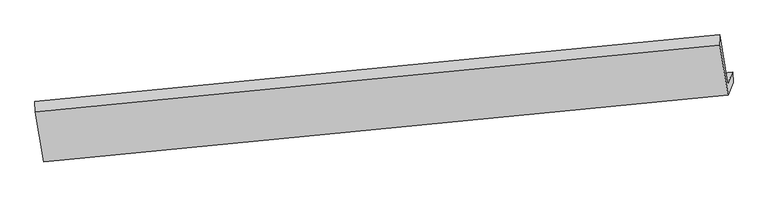
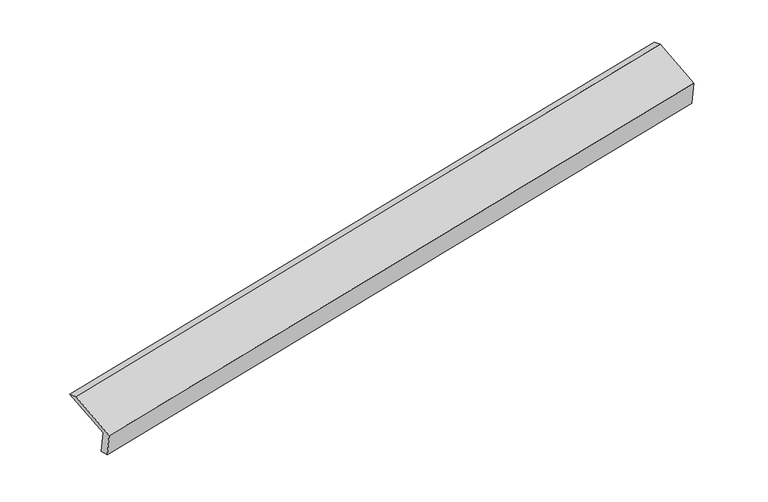
"""IFC4 building model written with IfcOpenShell, lengths in millimetres: proxy geometry."""

from ifc_helpers import new_model, si_unit, frame, origin, place, context, project, spatial, source, transform, mapped, element, save
from ifc_brep_helpers import plane_surface, spline_surface, advanced_brep


def generic_models_09a46cd5(model_context):
    return source(origin(), model_context, "Body", "AdvancedBrep", [
        advanced_brep(
        [(-7441.2182417, -2006.934023, 660.8238983), (-7503.3818414, -2165.8103741, 1071.5699995), (1806.8731702, -1256.512265, 2859.3998128), (1871.8320983, -1090.4916755, 2430.1835737), (-7431.9346533, -2149.3695649, 685.0946674), (1879.7180226, -1236.4993366, 2463.6894118), (-7497.3570958, -2316.5747943, 1117.3735789), (1812.8979158, -1407.2766853, 2905.2033922), (-7610.2916448, -1635.2314346, 1363.8249229), (1699.9633669, -725.9333256, 3151.6547363), (-7614.7936353, -1493.6539202, 1314.6983123), (1695.4613763, -584.3558111, 3102.5281256)],
        [
            (0, 1),
            (1, 2),
            (2, 3),
            (3, 0),
            (4, 0),
            (3, 5),
            (5, 4),
            (6, 4),
            (5, 7),
            (7, 6),
            (8, 6),
            (7, 9),
            (9, 8),
            (10, 8),
            (9, 11),
            (11, 10),
            (1, 10),
            (11, 2),
        ],
        [
            plane_surface(frame((-7472.3000416, -2086.3721986, 866.1969489), z_axis=(-0.15522923513217007, 0.9290339221290466, 0.33585689823763054), x_axis=(-0.1397664222424324, -0.3572119258136593, 0.9235068961681049))),
            spline_surface(1, 1, [[(-7431.9346533, -2149.3695649, 685.0946674), (1879.7180226, -1236.4993366, 2463.6894118)], [(-7441.2182417, -2006.934023, 660.8238983), (1871.8320983, -1090.4916755, 2430.1835737)]], [2, 2], [2, 2], [0.0, 1.0], [0.0, 1.0]),
            plane_surface(frame((-7464.6458745, -2232.9721796, 901.2341231), z_axis=(0.15522923513218762, -0.9290339221290017, -0.3358568982377466), x_axis=(0.13976642224237762, 0.3572119258137726, -0.9235068961680694))),
            plane_surface(frame((-7553.8243703, -1975.9031145, 1240.5992509), z_axis=(-0.14233352976130914, -0.3574607390030904, 0.9230184106381905), x_axis=(0.15400975197587002, -0.9291534150539466, -0.33608767842621))),
            plane_surface(frame((-7612.54264, -1564.4426774, 1339.2616176), z_axis=(-0.2085524198256782, 0.314685671163509, 0.9260015208136682), x_axis=(0.030028031492928684, -0.944314301219629, 0.3276718142238414))),
            plane_surface(frame((-7559.0877384, -1829.7321471, 1193.1341559), z_axis=(0.1423335297613221, 0.35746073900301695, -0.9230184106382171), x_axis=(-0.15400975197583988, 0.9291534150539768, 0.33608767842614057))),
            plane_surface(frame((1794.4576584, -1050.1781832, 2818.7765087), z_axis=(0.9781341132533385, 0.09525529565347182, 0.18487856863377905), x_axis=(0.15400975197587002, -0.9291534150539466, -0.33608767842621))),
            plane_surface(frame((-7516.4961854, -1961.2623519, 1035.5642299), z_axis=(-0.9781341132533353, -0.09525529565345914, -0.18487856863380292), x_axis=(0.1397664222424239, 0.35721192581365546, -0.9235068961681077))),
        ],
        [
            (0, [[1, 2, 3, 4]]),
            (1, [[5, -4, 6, 7]]),
            (2, [[8, -7, 9, 10]]),
            (3, [[11, -10, 12, 13]]),
            (4, [[14, -13, 15, 16]]),
            (5, [[17, -16, 18, -2]]),
            (6, [[-12, -9, -6, -3, -18, -15]]),
            (7, [[-1, -5, -8, -11, -14, -17]]),
        ],
    ),
    ])


if __name__ == "__main__":
    model = new_model("IFC4")
    model_context = context("Model", 3, world=origin())
    ifc_project = project(units=[si_unit("LENGTHUNIT", "METRE", prefix="MILLI")], contexts=[model_context])
    site = spatial("IfcSite", under=ifc_project)
    building = spatial("IfcBuilding", under=site)
    placement = place(None, origin())
    generic_models_shape = generic_models_09a46cd5(model_context)
    element("IfcBuildingElementProxy", 1, Name="Generic Models", at=placement, inside=building, context=model_context, shape_type="MappedRepresentation", body=[
        mapped(generic_models_shape, transform((0.0, 0.0, 0.0), x_axis=(1.0, 0.0, 0.0), y_axis=(0.0, 1.0, 0.0), z_axis=(0.0, 0.0, 1.0))),
    ])
    save(model, "model.ifc")
